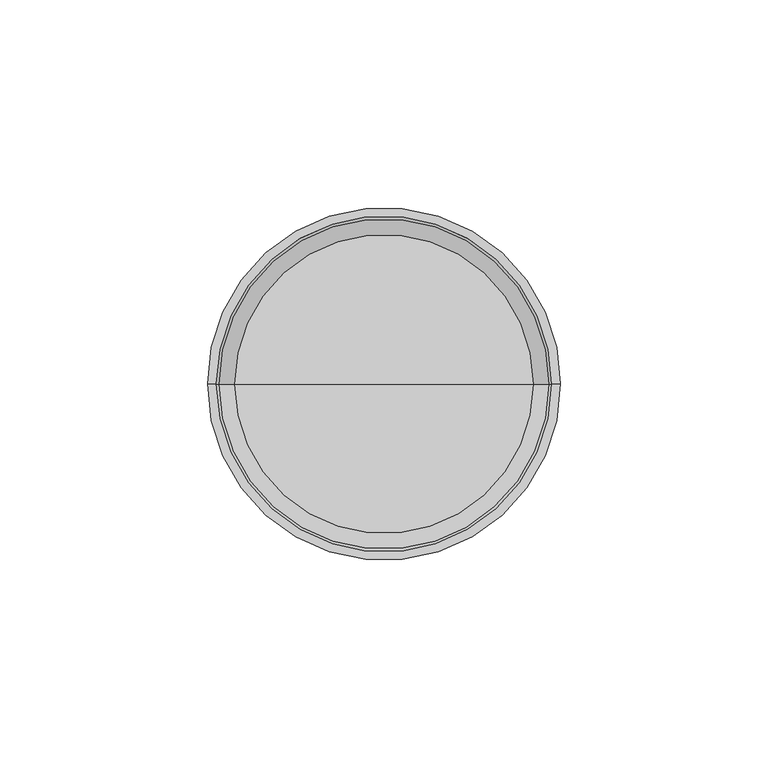
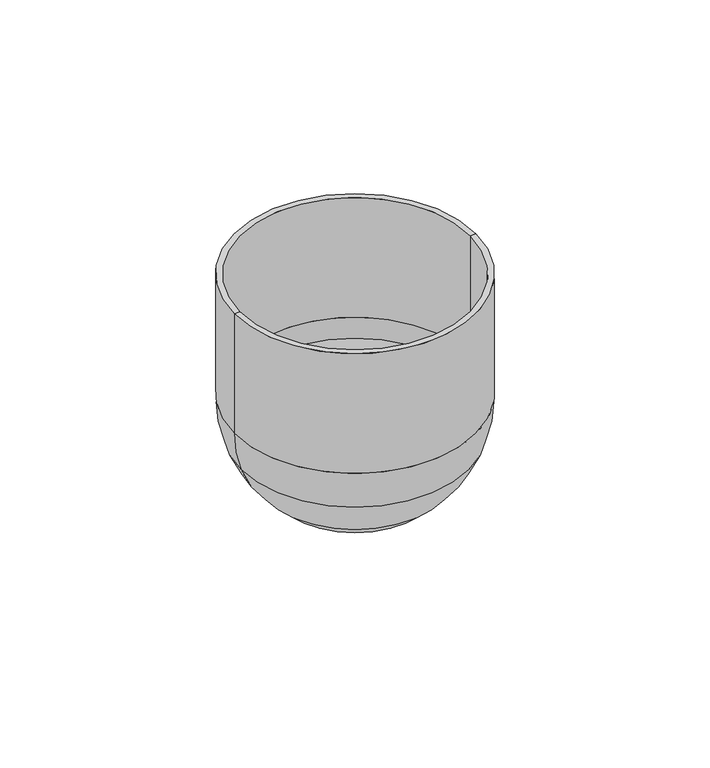
"""IFC4 building model written with IfcOpenShell, lengths in millimetres: furniture geometry."""

from ifc_helpers import new_model, si_unit, point, frame, origin, place, context, project, spatial, polyline, circle_curve, ellipse_curve, trimmed, source, transform, mapped, element, save
from ifc_brep_helpers import plane_surface, cylinder_surface, revolved_surface, advanced_brep


def furniture_6ddbf4db(model_context):
    return source(origin(), model_context, "Body", "AdvancedBrep", [
        advanced_brep(
        [(-8.0675158, 0.0, 749.9), (8.0675158, 0.0, 749.9), (0.0, 0.0, 749.9), (-10.0, 0.0, 747.9675158), (10.0, 0.0, 747.9675158), (-10.0, 0.0, 725.9329471), (10.0, 0.0, 725.9329471), (-12.0329471, 0.0, 723.9), (12.0329471, 0.0, 723.9), (-19.2891881, 0.0, 723.9), (19.2891881, 0.0, 723.9), (-20.5133636, 0.0, 724.2144676), (20.5133636, 0.0, 724.2144676), (-31.4510407, 0.0, 732.8397168), (31.4510407, 0.0, 732.8397168), (-40.0329398, 0.0, 747.1435395), (40.0329398, 0.0, 747.1435395), (-42.4992818, 0.0, 761.4005612), (42.4992818, 0.0, 761.4005612), (-42.4992818, 0.0, 805.8988285), (42.4992818, 0.0, 805.8988285), (-40.4672818, 0.0, 805.8988285), (40.4672818, 0.0, 805.8988285), (-40.4672818, 0.0, 761.4005612), (40.4672818, 0.0, 761.4005612), (-39.789611, 0.0, 754.0311604), (39.789611, 0.0, 754.0311604), (-36.0435066, 0.0, 750.916), (36.0435066, 0.0, 750.916), (0.0, 0.0, 750.916)],
        [
            (0, 1, circle_curve(frame((0.0, 0.0, 749.9), z_axis=(0.0, 0.0, -1.0), x_axis=(1.0, 0.0, 0.0)), 8.0675158)),
            (1, 2),
            (2, 0),
            (1, 0, circle_curve(frame((0.0, 0.0, 749.9), z_axis=(0.0, 0.0, -1.0), x_axis=(1.0, 0.0, 0.0)), 8.0675158)),
            (3, 4, circle_curve(frame((0.0, 0.0, 747.9675158), z_axis=(0.0, 0.0, -1.0), x_axis=(1.0, 0.0, 0.0)), 10.0)),
            (4, 1, circle_curve(frame((8.0675158, 0.0, 747.9675158), z_axis=(0.0, -1.0, 0.0), x_axis=(1.0, 0.0, 0.0)), 1.9324842)),
            (0, 3, circle_curve(frame((-8.0675158, 0.0, 747.9675158), z_axis=(0.0, -1.0, 0.0), x_axis=(-1.0, 0.0, 0.0)), 1.9324842)),
            (4, 3, circle_curve(frame((0.0, 0.0, 747.9675158), z_axis=(0.0, 0.0, -1.0), x_axis=(1.0, 0.0, 0.0)), 10.0)),
            (5, 6, circle_curve(frame((0.0, 0.0, 725.9329471), z_axis=(0.0, 0.0, -1.0), x_axis=(1.0, 0.0, 0.0)), 10.0)),
            (6, 4),
            (3, 5),
            (6, 5, circle_curve(frame((0.0, 0.0, 725.9329471), z_axis=(0.0, 0.0, -1.0), x_axis=(1.0, 0.0, 0.0)), 10.0)),
            (7, 8, circle_curve(frame((0.0, 0.0, 723.9), z_axis=(0.0, 0.0, -1.0), x_axis=(1.0, 0.0, 0.0)), 12.0329471)),
            (8, 6, circle_curve(frame((12.0329471, 0.0, 725.9329471), z_axis=(0.0, 1.0, 0.0), x_axis=(1.0, 0.0, 0.0)), 2.0329471)),
            (5, 7, circle_curve(frame((-12.0329471, 0.0, 725.9329471), z_axis=(0.0, 1.0, 0.0), x_axis=(-1.0, 0.0, 0.0)), 2.0329471)),
            (8, 7, circle_curve(frame((0.0, 0.0, 723.9), z_axis=(0.0, 0.0, -1.0), x_axis=(1.0, 0.0, 0.0)), 12.0329471)),
            (9, 10, circle_curve(frame((0.0, 0.0, 723.9), z_axis=(0.0, 0.0, -1.0), x_axis=(1.0, 0.0, 0.0)), 19.2891881)),
            (10, 8),
            (7, 9),
            (10, 9, circle_curve(frame((0.0, 0.0, 723.9), z_axis=(0.0, 0.0, -1.0), x_axis=(1.0, 0.0, 0.0)), 19.2891881)),
            (11, 12, circle_curve(frame((0.0, 0.0, 724.2144676), z_axis=(0.0, 0.0, -1.0), x_axis=(1.0, 0.0, 0.0)), 20.5133636)),
            (12, 10, circle_curve(frame((19.2891881, 0.0, 726.44), z_axis=(0.0, 1.0, 0.0), x_axis=(1.0, 0.0, 0.0)), 2.54)),
            (9, 11, circle_curve(frame((-19.2891881, 0.0, 726.44), z_axis=(0.0, 1.0, 0.0), x_axis=(-1.0, 0.0, 0.0)), 2.54)),
            (12, 11, circle_curve(frame((0.0, 0.0, 724.2144676), z_axis=(0.0, 0.0, -1.0), x_axis=(1.0, 0.0, 0.0)), 20.5133636)),
            (13, 14, circle_curve(frame((0.0, 0.0, 732.8397168), z_axis=(0.0, 0.0, -1.0), x_axis=(1.0, 0.0, 0.0)), 31.4510407)),
            (14, 12, circle_curve(frame((0.0587947, 0.0, 761.4005612), z_axis=(0.0, 1.0, 0.0), x_axis=(1.0, 0.0, 0.0)), 42.4404871)),
            (11, 13, circle_curve(frame((-0.0587947, 0.0, 761.4005612), z_axis=(0.0, 1.0, 0.0), x_axis=(-1.0, 0.0, 0.0)), 42.4404871)),
            (14, 13, circle_curve(frame((0.0, 0.0, 732.8397168), z_axis=(0.0, 0.0, -1.0), x_axis=(1.0, 0.0, 0.0)), 31.4510407)),
            (15, 16, circle_curve(frame((0.0, 0.0, 747.1435395), z_axis=(0.0, 0.0, -1.0), x_axis=(1.0, 0.0, 0.0)), 40.0329398)),
            (16, 14, circle_curve(frame((0.0587947, 0.0, 761.4005612), z_axis=(0.0, 1.0, 0.0), x_axis=(1.0, 0.0, 0.0)), 42.4404871)),
            (13, 15, circle_curve(frame((-0.0587947, 0.0, 761.4005612), z_axis=(0.0, 1.0, 0.0), x_axis=(-1.0, 0.0, 0.0)), 42.4404871)),
            (16, 15, circle_curve(frame((0.0, 0.0, 747.1435395), z_axis=(0.0, 0.0, -1.0), x_axis=(1.0, 0.0, 0.0)), 40.0329398)),
            (17, 18, circle_curve(frame((0.0, 0.0, 761.4005612), z_axis=(0.0, 0.0, -1.0), x_axis=(1.0, 0.0, 0.0)), 42.4992818)),
            (18, 16, circle_curve(frame((0.0587947, 0.0, 761.4005612), z_axis=(0.0, 1.0, 0.0), x_axis=(1.0, 0.0, 0.0)), 42.4404871)),
            (15, 17, circle_curve(frame((-0.0587947, 0.0, 761.4005612), z_axis=(0.0, 1.0, 0.0), x_axis=(-1.0, 0.0, 0.0)), 42.4404871)),
            (18, 17, circle_curve(frame((0.0, 0.0, 761.4005612), z_axis=(0.0, 0.0, -1.0), x_axis=(1.0, 0.0, 0.0)), 42.4992818)),
            (19, 20, circle_curve(frame((0.0, 0.0, 805.8988285), z_axis=(0.0, 0.0, -1.0), x_axis=(1.0, 0.0, 0.0)), 42.4992818)),
            (20, 18),
            (17, 19),
            (20, 19, circle_curve(frame((0.0, 0.0, 805.8988285), z_axis=(0.0, 0.0, -1.0), x_axis=(1.0, 0.0, 0.0)), 42.4992818)),
            (21, 22, circle_curve(frame((0.0, 0.0, 805.8988285), z_axis=(0.0, 0.0, -1.0), x_axis=(1.0, 0.0, 0.0)), 40.4672818)),
            (22, 20),
            (19, 21),
            (22, 21, circle_curve(frame((0.0, 0.0, 805.8988285), z_axis=(0.0, 0.0, -1.0), x_axis=(1.0, 0.0, 0.0)), 40.4672818)),
            (23, 24, circle_curve(frame((0.0, 0.0, 761.4005612), z_axis=(0.0, 0.0, -1.0), x_axis=(1.0, 0.0, 0.0)), 40.4672818)),
            (24, 22),
            (21, 23),
            (24, 23, circle_curve(frame((0.0, 0.0, 761.4005612), z_axis=(0.0, 0.0, -1.0), x_axis=(1.0, 0.0, 0.0)), 40.4672818)),
            (25, 26, circle_curve(frame((0.0, 0.0, 754.0311604), z_axis=(0.0, 0.0, -1.0), x_axis=(1.0, 0.0, 0.0)), 39.789611)),
            (26, 24, circle_curve(frame((0.0587947, 0.0, 761.4005612), z_axis=(0.0, -1.0, 0.0), x_axis=(1.0, 0.0, 0.0)), 40.4084871)),
            (23, 25, circle_curve(frame((-0.0587947, 0.0, 761.4005612), z_axis=(0.0, -1.0, 0.0), x_axis=(-1.0, 0.0, 0.0)), 40.4084871)),
            (26, 25, circle_curve(frame((0.0, 0.0, 754.0311604), z_axis=(0.0, 0.0, -1.0), x_axis=(1.0, 0.0, 0.0)), 39.789611)),
            (27, 28, circle_curve(frame((0.0, 0.0, 750.916), z_axis=(0.0, 0.0, -1.0), x_axis=(1.0, 0.0, 0.0)), 36.0435066)),
            (28, 26, circle_curve(frame((36.0435066, 0.0, 754.726), z_axis=(0.0, -1.0, 0.0), x_axis=(1.0, 0.0, 0.0)), 3.81)),
            (25, 27, circle_curve(frame((-36.0435066, 0.0, 754.726), z_axis=(0.0, -1.0, 0.0), x_axis=(-1.0, 0.0, 0.0)), 3.81)),
            (28, 27, circle_curve(frame((0.0, 0.0, 750.916), z_axis=(0.0, 0.0, -1.0), x_axis=(1.0, 0.0, 0.0)), 36.0435066)),
            (29, 28),
            (27, 29),
        ],
        [
            plane_surface(frame((0.0, 0.0, 749.9), z_axis=(0.0, 0.0, -1.0), x_axis=(1.0, 0.0, 0.0))),
            revolved_surface(trimmed(ellipse_curve(frame((8.0675158, 0.0, 747.9675158), z_axis=(0.0, 1.0, 0.0), x_axis=(1.0, 0.0, 0.0)), 1.9324842, 1.9324842), [point((8.0675158, 0.0, 749.9))], [point((10.0, 0.0, 747.9675158))], True, "CARTESIAN"), (0.0, 0.0, 711.2), (0.0, 0.0, 1.0)),
            revolved_surface(polyline([(10.0, 0.0, 747.9675158), (10.0, 0.0, 725.9329471)]), (0.0, 0.0, 711.2), (0.0, 0.0, 1.0)),
            revolved_surface(trimmed(ellipse_curve(frame((12.0329471, 0.0, 725.9329471), z_axis=(0.0, -1.0, 0.0), x_axis=(1.0, 0.0, 0.0)), 2.0329471, 2.0329471), [point((10.0, 0.0, 725.9329471))], [point((12.0329471, 0.0, 723.9))], True, "CARTESIAN"), (0.0, 0.0, 711.2), (0.0, 0.0, 1.0)),
            plane_surface(frame((0.0, 0.0, 723.9), z_axis=(0.0, 0.0, -1.0), x_axis=(1.0, 0.0, 0.0))),
            revolved_surface(trimmed(ellipse_curve(frame((19.2891881, 0.0, 726.44), z_axis=(0.0, -1.0, 0.0), x_axis=(1.0, 0.0, 0.0)), 2.54, 2.54), [point((19.2891881, 0.0, 723.9))], [point((20.5133636, 0.0, 724.2144676))], True, "CARTESIAN"), (0.0, 0.0, 711.2), (0.0, 0.0, 1.0)),
            revolved_surface(trimmed(ellipse_curve(frame((0.0587947, 0.0, 761.4005612), z_axis=(0.0, -1.0, 0.0), x_axis=(1.0, 0.0, 0.0)), 42.4404871, 42.4404871), [point((20.5133636, 0.0, 724.2144676))], [point((31.4510407, 0.0, 732.8397168))], True, "CARTESIAN"), (0.0, 0.0, 711.2), (0.0, 0.0, 1.0)),
            revolved_surface(trimmed(ellipse_curve(frame((0.0587947, 0.0, 761.4005612), z_axis=(0.0, -1.0, 0.0), x_axis=(1.0, 0.0, 0.0)), 42.4404871, 42.4404871), [point((31.4510407, 0.0, 732.8397168))], [point((40.0329398, 0.0, 747.1435395))], True, "CARTESIAN"), (0.0, 0.0, 711.2), (0.0, 0.0, 1.0)),
            revolved_surface(trimmed(ellipse_curve(frame((0.0587947, 0.0, 761.4005612), z_axis=(0.0, -1.0, 0.0), x_axis=(1.0, 0.0, 0.0)), 42.4404871, 42.4404871), [point((40.0329398, 0.0, 747.1435395))], [point((42.4992818, 0.0, 761.4005612))], True, "CARTESIAN"), (0.0, 0.0, 711.2), (0.0, 0.0, 1.0)),
            cylinder_surface(frame((0.0, 0.0, 711.2), z_axis=(0.0, 0.0, 1.0), x_axis=(1.0, 0.0, 0.0)), 42.4992818),
            plane_surface(frame((0.0, 0.0, 805.8988285), z_axis=(0.0, 0.0, 1.0), x_axis=(1.0, 0.0, 0.0))),
            revolved_surface(polyline([(40.4672818, 0.0, 805.8988285), (40.4672818, 0.0, 761.4005612)]), (0.0, 0.0, 711.2), (0.0, 0.0, 1.0)),
            revolved_surface(trimmed(ellipse_curve(frame((0.0587947, 0.0, 761.4005612), z_axis=(0.0, 1.0, 0.0), x_axis=(1.0, 0.0, 0.0)), 40.4084871, 40.4084871), [point((40.4672818, 0.0, 761.4005612))], [point((39.789611, 0.0, 754.0311604))], True, "CARTESIAN"), (0.0, 0.0, 711.2), (0.0, 0.0, 1.0)),
            revolved_surface(trimmed(ellipse_curve(frame((36.0435066, 0.0, 754.726), z_axis=(0.0, 1.0, 0.0), x_axis=(1.0, 0.0, 0.0)), 3.81, 3.81), [point((39.789611, 0.0, 754.0311604))], [point((36.0435066, 0.0, 750.916))], True, "CARTESIAN"), (0.0, 0.0, 711.2), (0.0, 0.0, 1.0)),
            plane_surface(frame((0.0, 0.0, 750.916), z_axis=(0.0, 0.0, 1.0), x_axis=(1.0, 0.0, 0.0))),
        ],
        [
            (0, [[1, 2, 3]]),
            (0, [[4, -3, -2]]),
            (1, [[5, 6, -1, 7]]),
            (1, [[8, -7, -4, -6]]),
            (2, [[9, 10, -5, 11]]),
            (2, [[12, -11, -8, -10]]),
            (3, [[13, 14, -9, 15]]),
            (3, [[16, -15, -12, -14]]),
            (4, [[17, 18, -13, 19]]),
            (4, [[20, -19, -16, -18]]),
            (5, [[21, 22, -17, 23]]),
            (5, [[24, -23, -20, -22]]),
            (6, [[25, 26, -21, 27]]),
            (6, [[28, -27, -24, -26]]),
            (7, [[29, 30, -25, 31]]),
            (7, [[32, -31, -28, -30]]),
            (8, [[33, 34, -29, 35]]),
            (8, [[36, -35, -32, -34]]),
            (9, [[37, 38, -33, 39]]),
            (9, [[40, -39, -36, -38]]),
            (10, [[41, 42, -37, 43]]),
            (10, [[44, -43, -40, -42]]),
            (11, [[45, 46, -41, 47]]),
            (11, [[48, -47, -44, -46]]),
            (12, [[49, 50, -45, 51]]),
            (12, [[52, -51, -48, -50]]),
            (13, [[53, 54, -49, 55]]),
            (13, [[56, -55, -52, -54]]),
            (14, [[57, -53, 58]]),
            (14, [[-58, -56, -57]]),
        ],
    ),
    ])


if __name__ == "__main__":
    model = new_model("IFC4")
    model_context = context("Model", 3, world=origin())
    ifc_project = project(units=[si_unit("LENGTHUNIT", "METRE", prefix="MILLI")], contexts=[model_context])
    site = spatial("IfcSite", under=ifc_project)
    building = spatial("IfcBuilding", under=site)
    placement = place(None, origin())
    furniture_shape = furniture_6ddbf4db(model_context)
    element("IfcFurniture", 1, at=placement, inside=building, context=model_context, shape_type="MappedRepresentation", body=[
        mapped(furniture_shape, transform((0.0, 0.0, 0.0), x_axis=(1.0, 0.0, 0.0), y_axis=(0.0, 1.0, 0.0), z_axis=(0.0, 0.0, 1.0))),
    ])
    save(model, "model.ifc")
